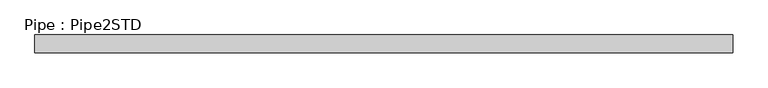
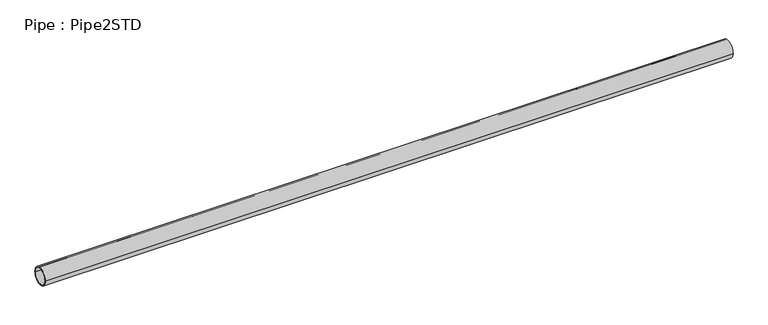
"""IFC4 building model written with IfcOpenShell, lengths in millimetres: member geometry, Pipe : Pipe2STD."""

from ifc_helpers import new_model, si_unit, point, frame, origin, origin_2d, place, context, project, spatial, circle_curve, trimmed, segment, composite_curve, outline, extrude, source, transform, mapped, element, save


def pipe_pipe2std_2fcc0140(model_context):
    return source(origin(), model_context, "Body", "SweptSolid", [
        extrude(outline(composite_curve([segment(trimmed(circle_curve(origin_2d(), 30.1625), [point((-30.1625, 0.0))], [point((30.1625, 0.0))], False, "CARTESIAN"), True, "CONTINUOUS"), segment(trimmed(circle_curve(origin_2d(), 30.1625), [point((30.1625, 0.0))], [point((-30.1625, 0.0))], False, "CARTESIAN"), True, "CONTINUOUS")], self_intersect=False), holes=[composite_curve([segment(trimmed(circle_curve(origin_2d(), 26.2509), [point((26.2509, 0.0))], [point((-26.2509, 0.0))], True, "CARTESIAN"), True, "CONTINUOUS"), segment(trimmed(circle_curve(origin_2d(), 26.2509), [point((-26.2509, 0.0))], [point((26.2509, 0.0))], True, "CARTESIAN"), True, "CONTINUOUS")], self_intersect=False)]), frame((-1190.9673834, 0.0, 0.0), z_axis=(1.0, 0.0, 0.0), x_axis=(0.0, 1.0, 0.0)), (0.0, 0.0, 1.0), 2331.3683727),
    ])


if __name__ == "__main__":
    model = new_model("IFC4")
    model_context = context("Model", 3, world=origin())
    ifc_project = project(units=[si_unit("LENGTHUNIT", "METRE", prefix="MILLI")], contexts=[model_context])
    site = spatial("IfcSite", under=ifc_project)
    building = spatial("IfcBuilding", under=site)
    placement = place(None, origin())
    pipe_pipe2std_shape = pipe_pipe2std_2fcc0140(model_context)
    element("IfcMember", 1, ObjectType="Pipe : Pipe2STD", at=placement, inside=building, context=model_context, shape_type="MappedRepresentation", body=[
        mapped(pipe_pipe2std_shape, transform((0.0, 0.0, 0.0), x_axis=(1.0, 0.0, 0.0), y_axis=(0.0, 1.0, 0.0), z_axis=(0.0, 0.0, 1.0))),
    ])
    save(model, "model.ifc")
